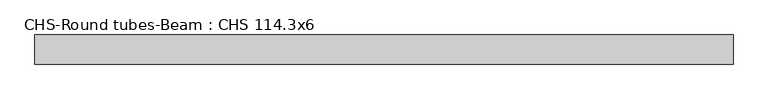
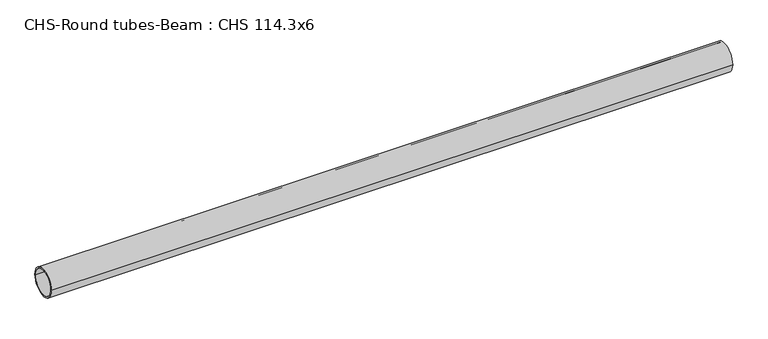
"""IFC4 building model written with IfcOpenShell, lengths in millimetres: beam geometry, CHS-Round tubes-Beam : CHS 114.3x6."""

from ifc_helpers import new_model, si_unit, point, frame, origin, origin_2d, place, context, project, spatial, circle_curve, trimmed, segment, composite_curve, outline, extrude, source, transform, mapped, element, save


def chs_round_tubes_beam_chs_114_3x6_3468a8b0(model_context):
    return source(origin(), model_context, "Body", "SweptSolid", [
        extrude(outline(composite_curve([segment(trimmed(circle_curve(origin_2d(), 57.15), [point((57.15, 0.0))], [point((-57.15, 0.0))], False, "CARTESIAN"), True, "CONTINUOUS"), segment(trimmed(circle_curve(origin_2d(), 57.15), [point((-57.15, 0.0))], [point((57.15, 0.0))], False, "CARTESIAN"), True, "CONTINUOUS")], self_intersect=False), holes=[composite_curve([segment(trimmed(circle_curve(origin_2d(), 51.15), [point((51.15, 0.0))], [point((-51.15, 0.0))], True, "CARTESIAN"), True, "CONTINUOUS"), segment(trimmed(circle_curve(origin_2d(), 51.15), [point((-51.15, 0.0))], [point((51.15, 0.0))], True, "CARTESIAN"), True, "CONTINUOUS")], self_intersect=False)]), frame((-1285.0977724, 0.0, 0.0), z_axis=(1.0, 0.0, 0.0), x_axis=(0.0, 1.0, 0.0)), (0.0, 0.0, 1.0), 2736.9675842),
    ])


if __name__ == "__main__":
    model = new_model("IFC4")
    model_context = context("Model", 3, world=origin())
    ifc_project = project(units=[si_unit("LENGTHUNIT", "METRE", prefix="MILLI")], contexts=[model_context])
    site = spatial("IfcSite", under=ifc_project)
    building = spatial("IfcBuilding", under=site)
    placement = place(None, origin())
    chs_round_tubes_beam_chs_114_3x6_shape = chs_round_tubes_beam_chs_114_3x6_3468a8b0(model_context)
    element("IfcBeam", 1, ObjectType="CHS-Round tubes-Beam : CHS 114.3x6", at=placement, inside=building, context=model_context, shape_type="MappedRepresentation", body=[
        mapped(chs_round_tubes_beam_chs_114_3x6_shape, transform((0.0, 0.0, 0.0), x_axis=(1.0, 0.0, 0.0), y_axis=(0.0, 1.0, 0.0), z_axis=(0.0, 0.0, 1.0))),
    ])
    save(model, "model.ifc")
